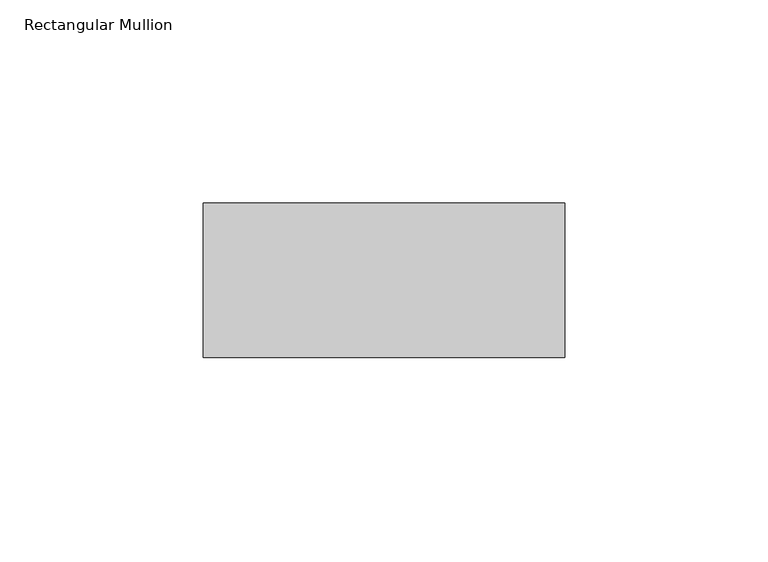
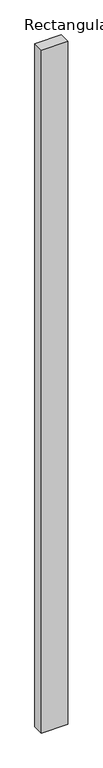
"""IFC4 building model written with IfcOpenShell, lengths in millimetres: member geometry, Rectangular Mullion."""

from ifc_helpers import new_model, si_unit, frame, origin, place, context, project, spatial, polyline, outline, extrude, source, transform, mapped, element, save


def rectangular_mullion_b0fafb9f(model_context):
    return source(origin(), model_context, "Body", "SweptSolid", [
        extrude(outline(polyline([(0.0, 118.0), (0.0, 80.0), (-89.0, 80.0), (-89.0, 118.0), (0.0, 118.0)])), frame((0.0, 0.0, -2450.0), z_axis=(0.0, 0.0, 1.0), x_axis=(1.0, 0.0, 0.0)), (0.0, 0.0, 1.0), 2450.0),
    ])


if __name__ == "__main__":
    model = new_model("IFC4")
    model_context = context("Model", 3, world=origin())
    ifc_project = project(units=[si_unit("LENGTHUNIT", "METRE", prefix="MILLI")], contexts=[model_context])
    site = spatial("IfcSite", under=ifc_project)
    building = spatial("IfcBuilding", under=site)
    placement = place(None, origin())
    rectangular_mullion_shape = rectangular_mullion_b0fafb9f(model_context)
    element("IfcMember", 1, ObjectType="Rectangular Mullion", at=placement, inside=building, context=model_context, shape_type="MappedRepresentation", body=[
        mapped(rectangular_mullion_shape, transform((0.0, 0.0, 0.0), x_axis=(1.0, 0.0, 0.0), y_axis=(0.0, 1.0, 0.0), z_axis=(0.0, 0.0, 1.0))),
    ])
    save(model, "model.ifc")
